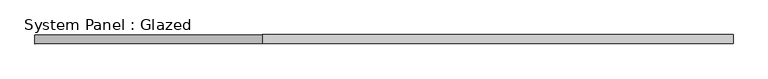
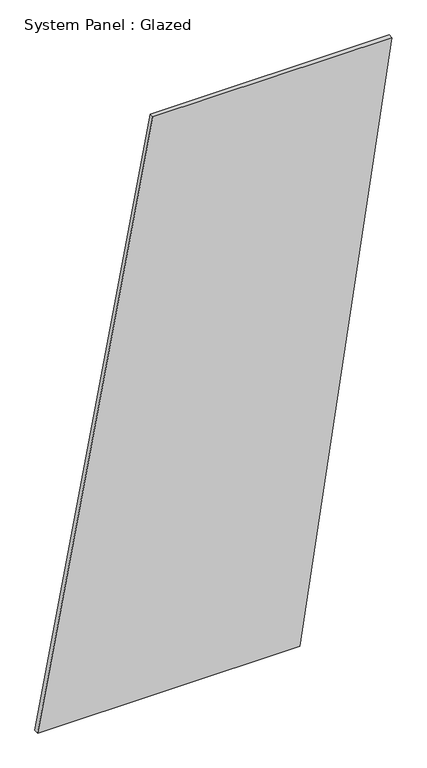
"""IFC4 building model written with IfcOpenShell, lengths in millimetres: plate geometry, System Panel : Glazed."""

from ifc_helpers import new_model, si_unit, frame, origin, place, context, project, spatial, polyline, outline, extrude, source, transform, mapped, element, save


def system_panel_glazed_fa97a3ae(model_context):
    return source(origin(), model_context, "Body", "SweptSolid", [
        extrude(outline(polyline([(0.0, -966.3455427), (0.0, 463.2302104), (3333.2590354, 966.3455427), (3333.2590354, -337.4513773), (0.0, -966.3455427)])), frame((0.0, -49.5, 0.0), z_axis=(0.0, 1.0, 0.0), x_axis=(0.0, 0.0, 1.0)), (0.0, 0.0, 1.0), 25.0),
    ])


if __name__ == "__main__":
    model = new_model("IFC4")
    model_context = context("Model", 3, world=origin())
    ifc_project = project(units=[si_unit("LENGTHUNIT", "METRE", prefix="MILLI")], contexts=[model_context])
    site = spatial("IfcSite", under=ifc_project)
    building = spatial("IfcBuilding", under=site)
    placement = place(None, origin())
    system_panel_glazed_shape = system_panel_glazed_fa97a3ae(model_context)
    element("IfcPlate", 1, ObjectType="System Panel : Glazed", at=placement, inside=building, context=model_context, shape_type="MappedRepresentation", body=[
        mapped(system_panel_glazed_shape, transform((0.0, 0.0, 0.0), x_axis=(1.0, 0.0, 0.0), y_axis=(0.0, 1.0, 0.0), z_axis=(0.0, 0.0, 1.0))),
    ])
    save(model, "model.ifc")
